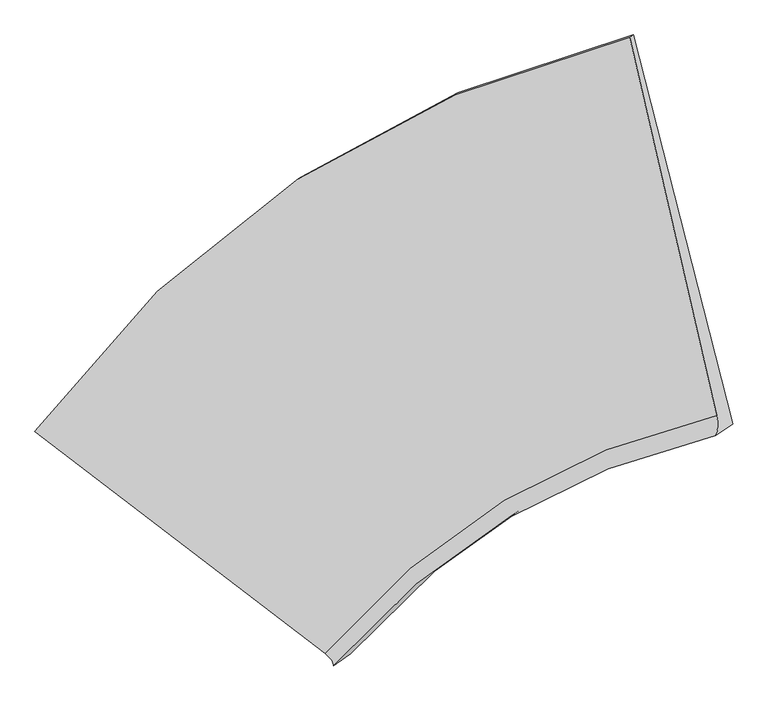
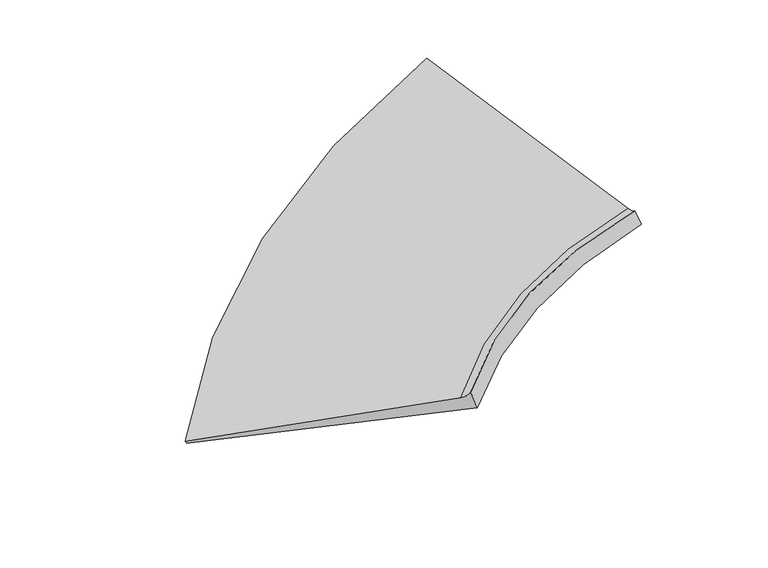
"""IFC4 building model written with IfcOpenShell, lengths in millimetres: proxy geometry."""

from ifc_helpers import new_model, si_unit, frame, origin, place, context, project, spatial, source, transform, mapped, element, save
from ifc_brep_helpers import plane_surface, spline_curve, spline_surface, advanced_brep


def generic_models_b375cea4(model_context):
    return source(origin(), model_context, "Body", "AdvancedBrep", [
        advanced_brep(
        [(-3740.1302467, -5496.3730834, 520.7482867), (-3761.6331435, -5508.626031, 563.9518806), (754.5490107, -2513.3044372, 1842.7835035), (783.0668876, -2497.0541592, 1785.4854201), (-1558.650274, -7194.1278748, 1345.4892034), (1415.1948018, -5388.3808037, 1524.2122457), (-1493.3174853, -7288.6279732, 1447.4946598), (1407.395931, -5539.7678723, 1585.4712652), (-1364.465696, -7197.9633024, 1158.0738979), (1535.7141098, -5450.1911117, 1322.5485471)],
        [
            (0, 1),
            (1, 2, spline_curve(3, [(-3761.6331435, -5508.626031, 563.9518806), (-3188.734020895, -4728.704040775, 756.718889073), (-2521.178216031, -4088.001461031, 960.864362575), (-1012.028268519, -3095.08503661, 1387.593057896), (-174.190022205, -2737.347085038, 1609.724791961), (754.5490107, -2513.3044372, 1842.7835035)], [4, 2, 4], [0.0, 9.412171518351958, 18.63571954706191])),
            (2, 3),
            (3, 0, spline_curve(3, [(783.0668876, -2497.0541592, 1785.4854201), (-150.56355393, -2723.884067327, 1562.254521352), (-991.445067093, -3083.356156975, 1346.23731459), (-2503.0097038, -4077.648538568, 924.360210194), (-3169.860568882, -4717.949423661, 718.798372459), (-3740.1302467, -5496.3730834, 520.7482867)], [4, 2, 4], [0.0, 9.223548028709953, 18.63571954706191])),
            (1, 4),
            (4, 5, spline_curve(3, [(-1558.650274, -7194.1278748, 1345.4892034), (-1153.765785025, -6721.306137989, 1367.849692437), (-700.510087173, -6333.747611502, 1394.113381724), (292.690932965, -5735.215092367, 1453.842604761), (830.716926934, -5520.8579284, 1487.153262902), (1415.1948018, -5388.3808037, 1524.2122457)], [4, 2, 4], [0.0, 7.60990483343266, 15.067304285644115])),
            (5, 2),
            (4, 6, spline_curve(3, [(-1558.650274, -7194.1278748, 1345.4892034), (-1547.983411996, -7202.699205331, 1349.999669621), (-1538.622165631, -7211.096455232, 1355.507632938), (-1522.510904569, -7227.542793968, 1368.518553862), (-1515.760889858, -7235.591882795, 1376.021511397), (-1504.872091742, -7251.341899205, 1393.022420803), (-1500.733308385, -7259.042826759, 1402.520372651), (-1495.066973215, -7274.096520841, 1423.511270549), (-1493.539421412, -7281.449287322, 1435.004216609), (-1493.3174853, -7288.6279732, 1447.4946598)], [4, 2, 2, 2, 4], [0.0, 0.13909731665388397, 0.27819463330776795, 0.4172919499616519, 0.5563892666155359])),
            (6, 7, spline_curve(3, [(-1493.3174853, -7288.6279732, 1447.4946598), (-1096.828342768, -6832.693409687, 1466.800046114), (-653.946128571, -6458.330038341, 1488.087024207), (314.799180736, -5878.613346459, 1534.157854011), (838.821438687, -5670.023350798, 1558.863077557), (1407.395931, -5539.7678723, 1585.4712652)], [4, 2, 4], [0.0, 5.771618333389922, 11.427571244745927])),
            (7, 5, spline_curve(3, [(1407.395931, -5539.7678723, 1585.4712652), (1411.777604099, -5529.781501776, 1574.343950225), (1415.226335399, -5519.137826687, 1564.722234433), (1420.257914401, -5496.535867113, 1548.490001167), (1421.840762096, -5484.577582651, 1541.87948369), (1423.140573904, -5459.346404549, 1531.66964711), (1422.857537993, -5446.073510819, 1528.070327948), (1420.425582607, -5418.213114181, 1523.882888052), (1418.276663091, -5403.625611283, 1523.294767306), (1415.1948018, -5388.3808037, 1524.2122457)], [4, 2, 2, 2, 4], [0.0, 0.13909731665388397, 0.27819463330776795, 0.4172919499616519, 0.5563892666155359])),
            (6, 8),
            (8, 9, spline_curve(3, [(-1364.465696, -7197.9633024, 1158.0738979), (-960.873772714, -6737.873946603, 1167.549996322), (-514.521486273, -6361.546709577, 1186.225171789), (453.901810326, -5782.279588245, 1241.415066409), (974.276125635, -5576.016095165, 1277.564773893), (1535.7141098, -5450.1911117, 1322.5485471)], [4, 2, 4], [0.0, 5.7044915189672665, 11.294662862739804])),
            (9, 7),
            (8, 0),
            (3, 9),
        ],
        [
            spline_surface(3, 3, [[(-3740.1302467, -5496.3730834, 520.7482867), (-3169.860568948, -4717.949423692, 718.798372417), (-2503.009703838, -4077.648538533, 924.360210204), (-991.445067055, -3083.356157009, 1346.23731458), (-150.56355408, -2723.884067461, 1562.254521205), (783.0668876, -2497.0541592, 1785.4854201)], [(-3747.297878981, -5500.457399261, 535.149484699), (-3176.15171963, -4721.534296005, 731.43854466), (-2509.065874548, -4081.099512735, 936.528260976), (-998.306134229, -3087.265783561, 1360.02256234), (-158.439043455, -2728.371739946, 1578.077944809), (773.560928631, -2502.470918524, 1804.584781216)], [(-3754.465511219, -5504.541715139, 549.550682601), (-3182.442870268, -4725.119168335, 744.078716807), (-2515.12204526, -4084.550486855, 948.696311793), (-1005.167201404, -3091.175410032, 1373.807810146), (-166.314532822, -2732.859412457, 1593.901368466), (764.054969669, -2507.887677876, 1823.684142384)], [(-3761.6331435, -5508.626031, 563.9518806), (-3188.73402095, -4728.704040648, 756.71888905), (-2521.17821597, -4088.001461057, 960.864362564), (-1012.028268578, -3095.085036584, 1387.593057907), (-174.190022197, -2737.347084942, 1609.72479207), (754.5490107, -2513.3044372, 1842.7835035)]], [4, 4], [4, 2, 4], [0.0, 0.1470135398812174], [0.0, 9.412171518351958, 18.63571954706191]),
            spline_surface(3, 3, [[(-3761.6331435, -5508.626031, 563.9518806), (-3188.73402095, -4728.704040648, 756.71888905), (-2521.17821597, -4088.001461057, 960.864362564), (-1012.028268578, -3095.085036584, 1387.593057907), (-174.190022197, -2737.347084942, 1609.72479207), (754.5490107, -2513.3044372, 1842.7835035)], [(-3027.305520307, -6070.459978916, 824.464321504), (-2510.411275625, -5392.904739753, 960.429156822), (-1914.28883969, -4836.583511203, 1105.28070228), (-577.121868093, -3975.128388455, 1409.676240201), (160.778960834, -3665.184032749, 1568.867615696), (974.764274398, -3471.663226046, 1736.593084232)], [(-2292.977897193, -6632.293926884, 1084.976762496), (-1832.088530378, -6057.105438911, 1164.139424682), (-1307.399463386, -5585.165561438, 1249.697041988), (-142.215467585, -4855.171740416, 1431.759422486), (495.747943872, -4593.020980518, 1528.010439327), (1194.979538102, -4430.022014854, 1630.402664968)], [(-1558.650274, -7194.1278748, 1345.4892034), (-1153.765785054, -6721.306138017, 1367.849692454), (-700.510087107, -6333.747611584, 1394.113381704), (292.6909329, -5735.215092287, 1453.84260478), (830.716926903, -5520.857928325, 1487.153262952), (1415.1948018, -5388.3808037, 1524.2122457)]], [4, 4], [4, 2, 4], [0.0, 9.54884444137711], [0.0, 7.60990483343266, 15.067304285644115]),
            spline_surface(3, 3, [[(-1558.650274, -7194.1278748, 1345.4892034), (-1153.765785054, -6721.306138017, 1367.849692454), (-700.510087107, -6333.747611584, 1394.113381704), (292.6909329, -5735.215092287, 1453.84260478), (830.716926903, -5520.857928325, 1487.153262952), (1415.1948018, -5388.3808037, 1524.2122457)], [(-1547.983411995, -7202.699205331, 1349.999669621), (-1143.630692148, -6731.87732606, 1371.648644353), (-691.283131122, -6345.876045277, 1397.098645629), (299.374621361, -5749.550455872, 1455.01449967), (835.780418715, -5535.860538612, 1487.329530944), (1418.276663093, -5403.625611284, 1523.294767306)], [(-1538.622165631, -7211.096455232, 1355.507632937), (-1134.843175661, -6742.126285205, 1376.55932395), (-683.392831661, -6357.567837707, 1401.295377803), (304.847976209, -5763.289442123, 1457.566655205), (839.746881587, -5550.220109239, 1488.955686377), (1420.425582605, -5418.213114181, 1523.882888052)], [(-1522.510904569, -7227.542793968, 1368.518553863), (-1119.963295903, -6761.979745896, 1388.604138651), (-670.285545797, -6380.078140306, 1412.111778614), (313.374018664, -5789.574660219, 1465.431487529), (845.485749379, -5577.653171395, 1495.107772248), (1422.857537995, -5446.073510819, 1528.070327948)], [(-1515.760889857, -7235.591882795, 1376.021511395), (-1113.87093262, -6771.584247432, 1395.738273675), (-665.068559432, -6390.896650397, 1418.731447187), (316.426706233, -5802.120891988, 1470.744164254), (847.25815433, -5590.726662912, 1499.633702698), (1423.140573903, -5459.346404547, 1531.669647109)], [(-1504.872091743, -7251.341899205, 1393.022420805), (-1104.381358914, -6790.148792727, 1412.229999282), (-657.307899673, -6411.660388207, 1434.39372096), (320.111414221, -5826.020601011, 1484.130039123), (848.608906289, -5615.587566651, 1511.585338457), (1421.840762097, -5484.577582653, 1541.879483691)], [(-1500.733308383, -7259.042826758, 1402.520372653), (-1100.984148535, -6799.108836455, 1421.587589832), (-654.764226306, -6421.605615959, 1443.436326131), (320.743434611, -5837.374078298, 1492.203237238), (848.187253319, -5627.374978956, 1519.011043824), (1420.257914402, -5496.535867113, 1548.490001167)], [(-1495.066973217, -7274.096520842, 1423.511270547), (-1096.884880883, -6816.384466355, 1442.526226344), (-652.350192651, -6440.622788981, 1463.944472866), (319.586808131, -5858.888278247, 1511.110154652), (845.149889447, -5649.66372428, 1536.762229471), (1415.226335398, -5519.137826687, 1564.722234433)], [(-1493.539421409, -7281.449287321, 1435.004216611), (-1096.182823608, -6824.700052474, 1454.10727232), (-652.479832381, -6449.694734295, 1475.410014435), (317.798161244, -5869.049000952, 1521.943873956), (842.534178555, -5660.165057274, 1547.087709754), (1411.7776041, -5529.781501778, 1574.343950225)], [(-1493.3174853, -7288.6279732, 1447.4946598), (-1096.828342808, -6832.693409726, 1466.800046029), (-653.946128605, -6458.330038412, 1488.087024284), (314.79918077, -5878.61334639, 1534.157853936), (838.821438704, -5670.023350727, 1558.863077522), (1407.395931, -5539.7678723, 1585.4712652)]], [4, 2, 2, 2, 4], [4, 2, 4], [0.0, 0.13909731665388397, 0.27819463330776795, 0.4172919499616519, 0.5563892666155359], [0.0, 5.771618333389922, 11.427571244745927]),
            spline_surface(3, 3, [[(-1493.3174853, -7288.6279732, 1447.4946598), (-1096.828342808, -6832.693409726, 1466.800046029), (-653.946128605, -6458.330038412, 1488.087024284), (314.79918077, -5878.61334639, 1534.157853936), (838.821438704, -5670.023350727, 1558.863077522), (1407.395931, -5539.7678723, 1585.4712652)], [(-1450.366888887, -7258.406416249, 1351.021072487), (-1051.510152805, -6801.086922022, 1367.050029444), (-607.471247822, -6426.068928767, 1387.466406775), (361.166723926, -5846.502093689, 1436.576924731), (883.973001036, -5638.687598885, 1465.096976341), (1450.168657286, -5509.908952101, 1497.830359185)], [(-1407.416292413, -7228.184859351, 1254.547485213), (-1006.191962743, -6769.480434371, 1267.300012898), (-560.996367003, -6393.80781915, 1286.845789326), (407.534267118, -5814.390841017, 1338.995995587), (929.124563311, -5607.351847041, 1371.330875106), (1492.941383514, -5480.050031899, 1410.189453115)], [(-1364.465696, -7197.9633024, 1158.0738979), (-960.873772741, -6737.873946668, 1167.549996314), (-514.52148622, -6361.546709505, 1186.225171817), (453.901810274, -5782.279588316, 1241.415066382), (974.276125644, -5576.016095199, 1277.564773925), (1535.7141098, -5450.1911117, 1322.5485471)]], [4, 4], [4, 2, 4], [0.0, 1.1229943247268632], [0.0, 5.7044915189672665, 11.294662862739804]),
            spline_surface(3, 3, [[(-1364.465696, -7197.9633024, 1158.0738979), (-960.873772741, -6737.873946668, 1167.549996314), (-514.52148622, -6361.546709505, 1186.225171817), (453.901810274, -5782.279588316, 1241.415066382), (974.276125644, -5576.016095199, 1277.564773925), (1535.7141098, -5450.1911117, 1322.5485471)], [(-2156.353879554, -6630.766562753, 945.632027489), (-1697.202704797, -6064.565772363, 1017.96612167), (-1177.350892091, -5600.247319182, 1098.936851292), (-27.880482168, -4882.638444548, 1276.355815795), (599.329565735, -4625.30541927, 1372.461356358), (1284.831702399, -4465.812127517, 1476.860838106)], [(-2948.242063146, -6063.569823047, 733.190157111), (-2433.531636891, -5391.257597997, 868.382247061), (-1840.180297967, -4838.947928856, 1011.648530728), (-509.662774614, -3982.997300777, 1311.296565167), (224.383005829, -3674.594743391, 1467.357938773), (1033.949295001, -3481.433143383, 1631.173129094)], [(-3740.1302467, -5496.3730834, 520.7482867), (-3169.860568948, -4717.949423692, 718.798372417), (-2503.009703838, -4077.648538533, 924.360210204), (-991.445067055, -3083.356157009, 1346.23731458), (-150.56355408, -2723.884067461, 1562.254521205), (783.0668876, -2497.0541592, 1785.4854201)]], [4, 4], [4, 2, 4], [0.0, 9.929380756528682], [0.0, 7.53355398182331, 14.916132682470831]),
            plane_surface(frame((1179.1841482, -4277.7396768, 1612.1001963), z_axis=(0.8682568871532589, 0.14700841406911186, 0.4738338359634291), x_axis=(-0.43187042817047583, -0.24609175952552217, 0.8677135351978109))),
            plane_surface(frame((-2383.6393691, -6537.143653, 1007.1515857), z_axis=(-0.44129763047636905, -0.7813823301522347, -0.4412460260011487), x_axis=(0.7943023274610584, -0.5689258910364626, 0.2130895189780876))),
        ],
        [
            (0, [[1, 2, 3, 4]]),
            (1, [[5, 6, 7, -2]]),
            (2, [[8, 9, 10, -6]]),
            (3, [[11, 12, 13, -9]]),
            (4, [[14, -4, 15, -12]]),
            (5, [[-3, -7, -10, -13, -15]]),
            (6, [[-14, -11, -8, -5, -1]]),
        ],
    ),
    ])


if __name__ == "__main__":
    model = new_model("IFC4")
    model_context = context("Model", 3, world=origin())
    ifc_project = project(units=[si_unit("LENGTHUNIT", "METRE", prefix="MILLI")], contexts=[model_context])
    site = spatial("IfcSite", under=ifc_project)
    building = spatial("IfcBuilding", under=site)
    placement = place(None, origin())
    generic_models_shape = generic_models_b375cea4(model_context)
    element("IfcBuildingElementProxy", 1, Name="Generic Models", at=placement, inside=building, context=model_context, shape_type="MappedRepresentation", body=[
        mapped(generic_models_shape, transform((0.0, 0.0, 0.0), x_axis=(1.0, 0.0, 0.0), y_axis=(0.0, 1.0, 0.0), z_axis=(0.0, 0.0, 1.0))),
    ])
    save(model, "model.ifc")
